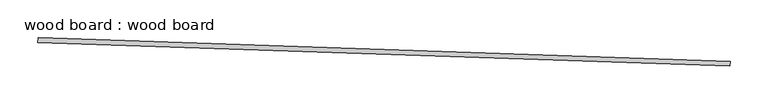
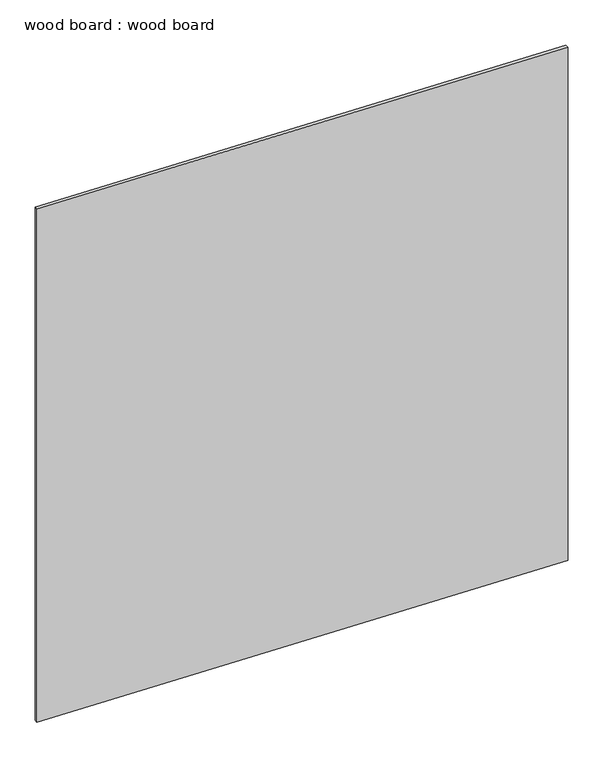
"""IFC4 building model written with IfcOpenShell, lengths in millimetres: proxy geometry, wood board : wood board."""

from ifc_helpers import new_model, si_unit, frame, origin, place, context, project, spatial, polyline, outline, extrude, source, transform, mapped, element, save


def wood_board_wood_board_0afa4d3c(model_context):
    return source(origin(), model_context, "Body", "SweptSolid", [
        extrude(outline(polyline([(33441.0845423, -15428.2672432), (34354.9495706, -15459.5413526), (34354.7323893, -15465.8876375), (33440.8673609, -15434.6135282), (33441.0845423, -15428.2672432)])), frame((0.0, 0.0, 4757.100708), z_axis=(0.0, 0.0, 1.0), x_axis=(1.0, 0.0, 0.0)), (0.0, 0.0, 1.0), 952.5),
    ])


if __name__ == "__main__":
    model = new_model("IFC4")
    model_context = context("Model", 3, world=origin())
    ifc_project = project(units=[si_unit("LENGTHUNIT", "METRE", prefix="MILLI")], contexts=[model_context])
    site = spatial("IfcSite", under=ifc_project)
    building = spatial("IfcBuilding", under=site)
    placement = place(None, origin())
    wood_board_wood_board_shape = wood_board_wood_board_0afa4d3c(model_context)
    element("IfcBuildingElementProxy", 1, Name="wood board : wood board", ObjectType="wood board : wood board", at=placement, inside=building, context=model_context, shape_type="MappedRepresentation", body=[
        mapped(wood_board_wood_board_shape, transform((0.0, 0.0, 0.0), x_axis=(1.0, 0.0, 0.0), y_axis=(0.0, 1.0, 0.0), z_axis=(0.0, 0.0, 1.0))),
    ])
    save(model, "model.ifc")
